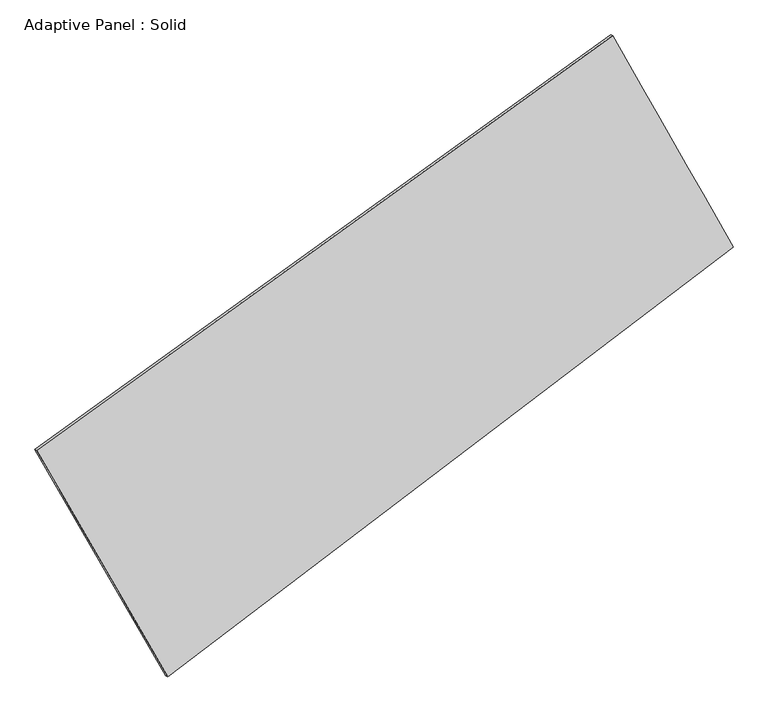
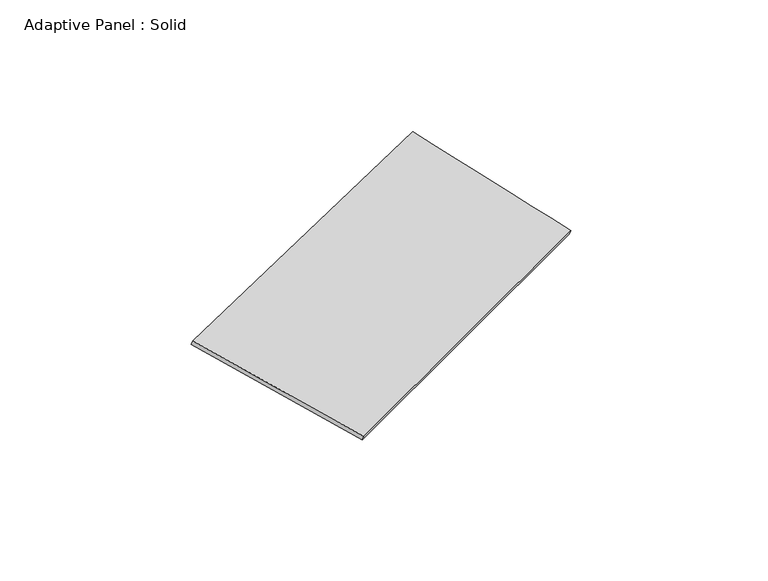
"""IFC4 building model written with IfcOpenShell, lengths in millimetres: plate geometry, Adaptive Panel : Solid."""

from ifc_helpers import new_model, si_unit, frame, origin, place, context, project, spatial, source, transform, mapped, element, save
from ifc_brep_helpers import plane_surface, spline_surface, advanced_brep


def adaptive_panel_solid_02a23e8a(model_context):
    return source(origin(), model_context, "Body", "AdvancedBrep", [
        advanced_brep(
        [(1198.5561515, 2503.3006037, 683.9669736), (-3532.7272278, -904.6896858, 1622.4262403), (-3518.060872, -911.0697793, 1669.7991483), (1213.2225073, 2496.9205102, 731.3398817), (-2456.2615351, -2765.9705991, 1103.8415582), (-2441.5951793, -2772.3506925, 1151.2144663), (2187.1420333, 767.1111083, 74.887748), (2201.8083891, 760.7310149, 122.260656)],
        [
            (0, 1),
            (1, 2),
            (2, 3),
            (3, 0),
            (1, 4),
            (4, 5),
            (5, 2),
            (4, 6),
            (6, 7),
            (7, 5),
            (6, 0),
            (3, 7),
        ],
        [
            plane_surface(frame((-1167.0855382, 799.305459, 1153.196607), z_axis=(-0.5264800580018567, 0.8056710597921568, 0.2715011822069008), x_axis=(-0.8011056848359187, -0.5770443611001151, 0.1589008717601438))),
            plane_surface(frame((-2994.4943815, -1835.3301424, 1363.1338993), z_axis=(-0.827548898610889, -0.5301016518528473, 0.18481087389758033), x_axis=(0.48669135906572897, -0.8415217906219019, -0.23446235714771307))),
            plane_surface(frame((-134.5597509, -999.4297454, 589.3646531), z_axis=(0.5428649171855227, -0.7935399532471918, -0.27494003762566227), x_axis=(0.7837304715738173, 0.5963263265544195, -0.17367055071253143))),
            plane_surface(frame((1692.8490924, 1635.205856, 379.4273608), z_axis=(0.8251747301970492, 0.5342353355406665, -0.18351912953144345), x_axis=(-0.4733038512819795, 0.8312329660086842, 0.2916079912863358))),
            spline_surface(1, 1, [[(-3518.060872, -911.0697793, 1669.7991483), (1213.2225073, 2496.9205102, 731.3398817)], [(-2441.5951793, -2772.3506925, 1151.2144663), (2201.8083891, 760.7310149, 122.260656)]], [2, 2], [2, 2], [0.0, 1.0], [0.0, 1.0]),
            spline_surface(1, 1, [[(2187.1420333, 767.1111083, 74.887748), (1198.5561515, 2503.3006037, 683.9669736)], [(-2456.2615351, -2765.9705991, 1103.8415582), (-3532.7272278, -904.6896858, 1622.4262403)]], [2, 2], [2, 2], [0.0, 1.0], [0.0, 1.0]),
        ],
        [
            (0, [[1, 2, 3, 4]]),
            (1, [[5, 6, 7, -2]]),
            (2, [[8, 9, 10, -6]]),
            (3, [[11, -4, 12, -9]]),
            (4, [[-3, -7, -10, -12]]),
            (5, [[-11, -8, -5, -1]]),
        ],
    ),
    ])


if __name__ == "__main__":
    model = new_model("IFC4")
    model_context = context("Model", 3, world=origin())
    ifc_project = project(units=[si_unit("LENGTHUNIT", "METRE", prefix="MILLI")], contexts=[model_context])
    site = spatial("IfcSite", under=ifc_project)
    building = spatial("IfcBuilding", under=site)
    placement = place(None, origin())
    adaptive_panel_solid_shape = adaptive_panel_solid_02a23e8a(model_context)
    element("IfcPlate", 1, ObjectType="Adaptive Panel : Solid", at=placement, inside=building, context=model_context, shape_type="MappedRepresentation", body=[
        mapped(adaptive_panel_solid_shape, transform((0.0, 0.0, 0.0), x_axis=(1.0, 0.0, 0.0), y_axis=(0.0, 1.0, 0.0), z_axis=(0.0, 0.0, 1.0))),
    ])
    save(model, "model.ifc")
